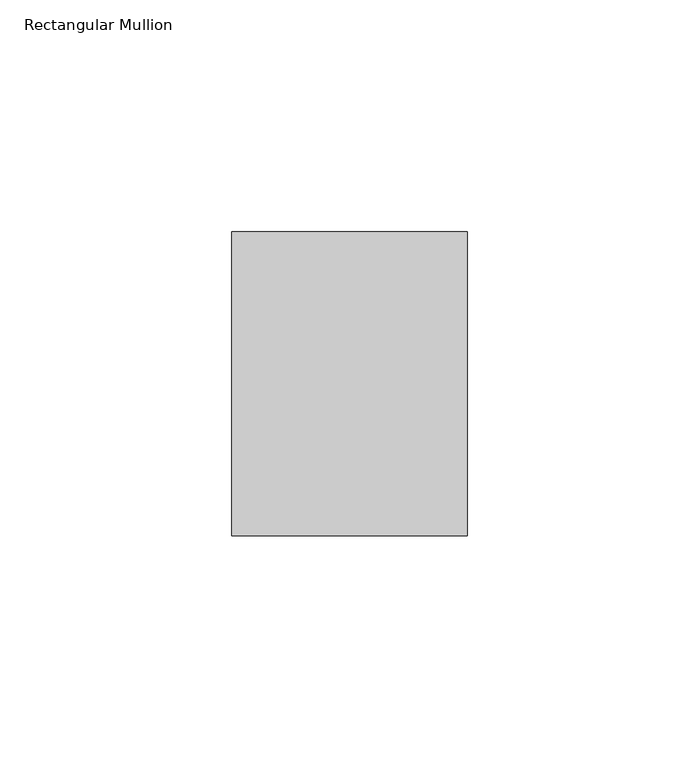
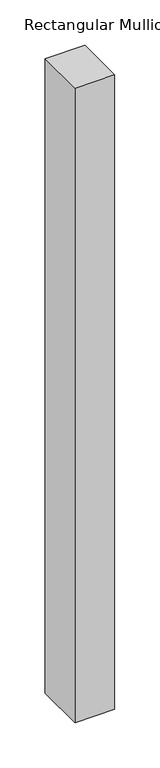
"""IFC4 building model written with IfcOpenShell, lengths in millimetres: member geometry, Rectangular Mullion."""

from ifc_helpers import new_model, si_unit, frame, origin, place, context, project, spatial, polyline, outline, extrude, source, transform, mapped, element, save


def rectangular_mullion_332c5e10(model_context):
    return source(origin(), model_context, "Body", "SweptSolid", [
        extrude(outline(polyline([(-25.4, 114.252375), (25.4, 114.252375), (25.4, 48.656875), (-25.4, 48.656875), (-25.4, 114.252375)])), frame((0.0, 0.0, -854.0748985), z_axis=(0.0, 0.0, 1.0), x_axis=(1.0, 0.0, 0.0)), (0.0, 0.0, 1.0), 854.0748985),
    ])


if __name__ == "__main__":
    model = new_model("IFC4")
    model_context = context("Model", 3, world=origin())
    ifc_project = project(units=[si_unit("LENGTHUNIT", "METRE", prefix="MILLI")], contexts=[model_context])
    site = spatial("IfcSite", under=ifc_project)
    building = spatial("IfcBuilding", under=site)
    placement = place(None, origin())
    rectangular_mullion_shape = rectangular_mullion_332c5e10(model_context)
    element("IfcMember", 1, ObjectType="Rectangular Mullion", at=placement, inside=building, context=model_context, shape_type="MappedRepresentation", body=[
        mapped(rectangular_mullion_shape, transform((0.0, 0.0, 0.0), x_axis=(1.0, 0.0, 0.0), y_axis=(0.0, 1.0, 0.0), z_axis=(0.0, 0.0, 1.0))),
    ])
    save(model, "model.ifc")
